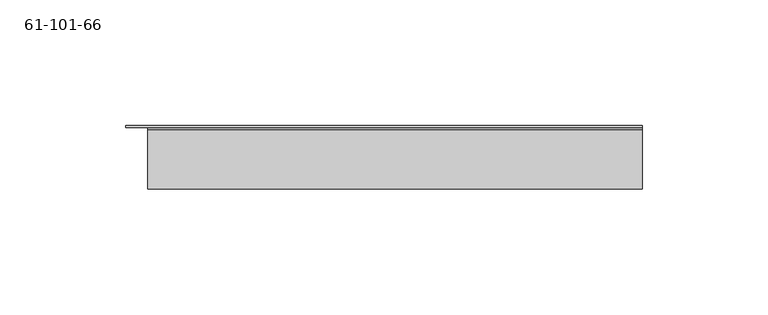
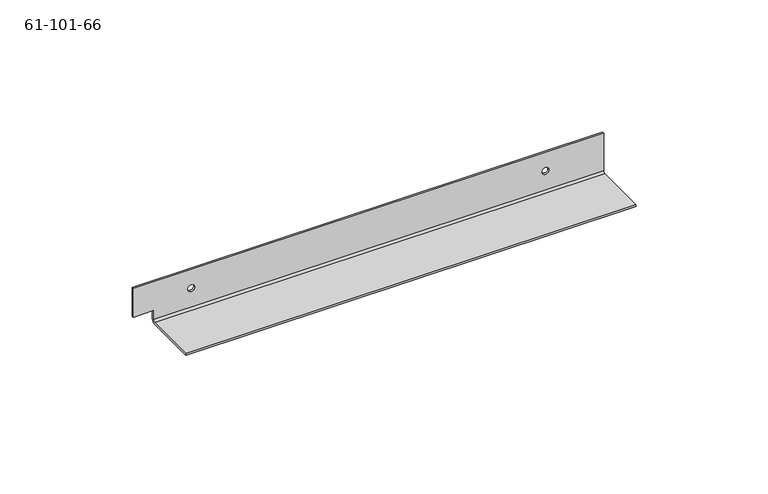
"""IFC4 building model written with IfcOpenShell, lengths in millimetres: proxy geometry, 61-101-66."""

from ifc_helpers import new_model, si_unit, frame, origin, place, context, project, spatial, polyline, circle_curve, source, transform, mapped, element, save
from ifc_brep_helpers import plane_surface, cylinder_surface, revolved_surface, advanced_brep


def proxy_61_101_66_9feb3a0c(model_context):
    return source(origin(), model_context, "Body", "AdvancedBrep", [
        advanced_brep(
        [(13.1848894, 2.7472625, 10.37844), (13.1848894, 3.6007025, 10.37844), (10.1368894, 3.6007025, 10.37844), (10.1368894, 2.7472625, 10.37844), (-141.7551106, 2.7472625, 10.37844), (-141.7551106, 3.6007025, 10.37844), (-144.8031106, 3.6007025, 10.37844), (-144.8031106, 2.7472625, 10.37844), (-168.6791106, 2.7472625, 5.7581855), (-168.6791106, 3.6007025, 5.7581855), (-159.7885285, 3.6007025, 5.7581855), (-159.7885285, 2.7472625, 5.7581855), (-159.7885285, 2.7472625, 1.70688), (-159.7885285, 3.6007025, 1.70688), (-159.7885285, 1.8938225, 0.0), (-159.7885285, -21.7992975, 0.0), (-159.7885285, -21.7992975, 0.85344), (-159.7885285, 1.8938225, 0.85344), (37.0608894, 2.7472625, 1.70688), (37.0608894, 2.7472625, 19.05), (-168.6791106, 2.7472625, 19.05), (37.0608894, 1.8938225, 0.85344), (37.0608894, -21.7992975, 0.85344), (37.0608894, -21.7992975, 0.0), (37.0608894, 3.6007025, 1.70688), (37.0608894, 1.8938225, 0.0), (-168.6791106, 3.6007025, 19.05), (37.0608894, 3.6007025, 19.05)],
        [
            (0, 1),
            (1, 2, circle_curve(frame((11.6608894, 3.6007025, 10.37844), z_axis=(0.0, 1.0, 0.0), x_axis=(1.0, 0.0, 0.0)), 1.524)),
            (2, 3),
            (3, 0, circle_curve(frame((11.6608894, 2.7472625, 10.37844), z_axis=(0.0, -1.0, 0.0), x_axis=(1.0, 0.0, 0.0)), 1.524)),
            (4, 5),
            (5, 6, circle_curve(frame((-143.2791106, 3.6007025, 10.37844), z_axis=(0.0, 1.0, 0.0), x_axis=(1.0, 0.0, 0.0)), 1.524)),
            (6, 7),
            (7, 4, circle_curve(frame((-143.2791106, 2.7472625, 10.37844), z_axis=(0.0, -1.0, 0.0), x_axis=(1.0, 0.0, 0.0)), 1.524)),
            (8, 9),
            (9, 10),
            (10, 11),
            (11, 8),
            (12, 11),
            (10, 13),
            (13, 14, circle_curve(frame((-159.7885285, 1.8938225, 1.70688), z_axis=(-1.0, 0.0, 0.0), x_axis=(0.0, 0.0, -1.0)), 1.70688)),
            (14, 15),
            (15, 16),
            (16, 17),
            (17, 12, circle_curve(frame((-159.7885285, 1.8938225, 1.70688), z_axis=(1.0, 0.0, 0.0), x_axis=(0.0, 0.0, -1.0)), 0.85344)),
            (12, 18),
            (18, 19),
            (19, 20),
            (20, 8),
            (3, 0, circle_curve(frame((11.6608894, 2.7472625, 10.37844), z_axis=(0.0, 1.0, 0.0), x_axis=(1.0, 0.0, 0.0)), 1.524)),
            (7, 4, circle_curve(frame((-143.2791106, 2.7472625, 10.37844), z_axis=(0.0, 1.0, 0.0), x_axis=(1.0, 0.0, 0.0)), 1.524)),
            (17, 21),
            (21, 18, circle_curve(frame((37.0608894, 1.8938225, 1.70688), z_axis=(1.0, 0.0, 0.0), x_axis=(0.0, 0.0, -1.0)), 0.85344)),
            (16, 22),
            (22, 21),
            (15, 23),
            (23, 22),
            (6, 5, circle_curve(frame((-143.2791106, 3.6007025, 10.37844), z_axis=(0.0, 1.0, 0.0), x_axis=(1.0, 0.0, 0.0)), 1.524)),
            (2, 1, circle_curve(frame((11.6608894, 3.6007025, 10.37844), z_axis=(0.0, 1.0, 0.0), x_axis=(1.0, 0.0, 0.0)), 1.524)),
            (13, 24),
            (24, 25, circle_curve(frame((37.0608894, 1.8938225, 1.70688), z_axis=(-1.0, 0.0, 0.0), x_axis=(0.0, 0.0, -1.0)), 1.70688)),
            (25, 14),
            (20, 26),
            (26, 9),
            (24, 18),
            (21, 25),
            (24, 27),
            (27, 19),
            (27, 26),
            (25, 23),
        ],
        [
            revolved_surface(polyline([(13.1848894, 3.6007025, 10.37844), (13.1848894, 2.7472625, 10.37844)]), (11.6608894, 3.1739825, 10.37844), (0.0, 1.0, 0.0)),
            revolved_surface(polyline([(-141.7551106, 3.6007025, 10.37844), (-141.7551106, 2.7472625, 10.37844)]), (-143.2791106, 3.1739825, 10.37844), (0.0, 1.0, 0.0)),
            plane_surface(frame((-159.7885285, 3.6007025, 5.7581855), z_axis=(0.0, 0.0, -1.0), x_axis=(-1.0, 0.0, 0.0))),
            plane_surface(frame((-159.7885285, 3.6007025, -8.0782507), z_axis=(-1.0, 0.0, 0.0), x_axis=(0.0, 0.0, 1.0))),
            plane_surface(frame((-65.8091106, 2.7472625, 9.4132221), z_axis=(0.0, -1.0, 0.0), x_axis=(1.0, 0.0, 0.0))),
            revolved_surface(polyline([(37.06088940000001, 1.8938225, 0.85344), (-159.7885285, 1.8938225, 0.85344)]), (-65.8091106, 1.8938225, 1.70688), (1.0, 0.0, 0.0)),
            plane_surface(frame((-65.8091106, -9.0992975, 0.85344), z_axis=(0.0, 0.0, 1.0), x_axis=(1.0, 0.0, 0.0))),
            plane_surface(frame((37.0608894, -21.7992975, 0.0), z_axis=(0.0, -1.0, 0.0), x_axis=(0.0, 0.0, -1.0))),
            cylinder_surface(frame((-65.8091106, 1.8938225, 1.70688), z_axis=(1.0, 0.0, 0.0), x_axis=(0.0, 0.0, -1.0)), 1.70688),
            plane_surface(frame((-168.6791106, 2.7472625, 1.70688), z_axis=(-1.0, 0.0, 0.0), x_axis=(0.0, -1.0, 0.0))),
            plane_surface(frame((37.0608894, 2.7472625, 1.70688), z_axis=(1.0, 0.0, 0.0), x_axis=(0.0, 0.0, -1.0))),
            plane_surface(frame((37.0608894, 2.7472625, 1.70688), z_axis=(1.0, 0.0, 0.0), x_axis=(0.0, 1.0, 0.0))),
            plane_surface(frame((37.0608894, 2.7472625, 19.05), z_axis=(0.0, 0.0, 1.0), x_axis=(0.0, -1.0, 0.0))),
            plane_surface(frame((-65.8091106, 3.6007025, 9.4132221), z_axis=(0.0, 1.0, 0.0), x_axis=(1.0, 0.0, 0.0))),
            plane_surface(frame((-65.8091106, -9.0992975, 0.0), z_axis=(0.0, 0.0, -1.0), x_axis=(1.0, 0.0, 0.0))),
            plane_surface(frame((37.0608894, 3.6007025, 0.0), z_axis=(1.0, 0.0, 0.0), x_axis=(0.0, 0.0, -1.0))),
        ],
        [
            (0, [[1, 2, 3, 4]]),
            (1, [[5, 6, 7, 8]]),
            (2, [[9, 10, 11, 12]]),
            (3, [[13, -11, 14, 15, 16, 17, 18, 19]]),
            (4, [[-12, -13, 20, 21, 22, 23], [-4, 24], [-8, 25]]),
            (5, [[-19, 26, 27, -20]]),
            (6, [[-18, 28, 29, -26]]),
            (7, [[-17, 30, 31, -28]]),
            (1, [[-5, -25, -7, 32]]),
            (0, [[-1, -24, -3, 33]]),
            (8, [[-15, 34, 35, 36]]),
            (9, [[-9, -23, 37, 38]]),
            (10, [[39, -27, 40, -35]]),
            (11, [[-39, 41, 42, -21]]),
            (12, [[43, -37, -22, -42]]),
            (13, [[-10, -38, -43, -41, -34, -14], [-32, -6], [-33, -2]]),
            (14, [[-16, -36, 44, -30]]),
            (15, [[-40, -29, -31, -44]]),
        ],
    ),
    ])


if __name__ == "__main__":
    model = new_model("IFC4")
    model_context = context("Model", 3, world=origin())
    ifc_project = project(units=[si_unit("LENGTHUNIT", "METRE", prefix="MILLI")], contexts=[model_context])
    site = spatial("IfcSite", under=ifc_project)
    building = spatial("IfcBuilding", under=site)
    placement = place(None, origin())
    proxy_61_101_66_shape = proxy_61_101_66_9feb3a0c(model_context)
    element("IfcBuildingElementProxy", 1, Name="61-101-66", ObjectType="61-101-66", at=placement, inside=building, context=model_context, shape_type="MappedRepresentation", body=[
        mapped(proxy_61_101_66_shape, transform((0.0, 0.0, 0.0), x_axis=(1.0, 0.0, 0.0), y_axis=(0.0, 1.0, 0.0), z_axis=(0.0, 0.0, 1.0))),
    ])
    save(model, "model.ifc")
